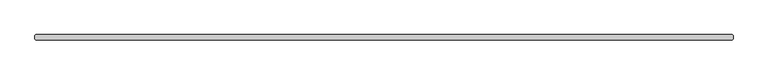
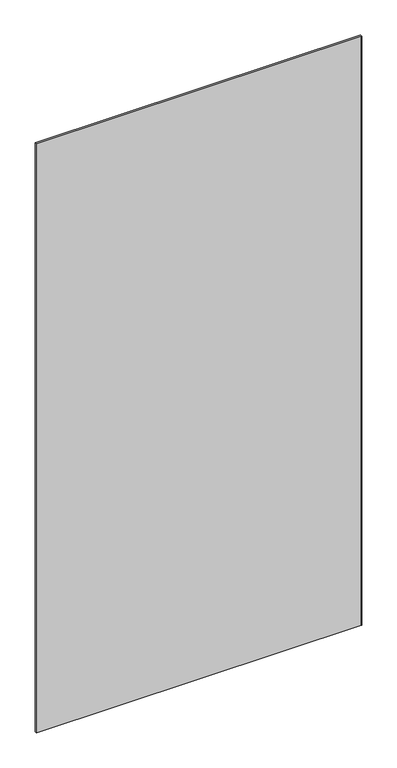
"""IFC4 building model written with IfcOpenShell, lengths in millimetres: plate geometry."""

from ifc_helpers import new_model, si_unit, origin, origin_with_axes, place, context, project, spatial, polyline, outline, extrude, source, transform, mapped, element, save


def plate_9ad6ea83(model_context):
    return source(origin(), model_context, "Body", "SweptSolid", [
        extrude(outline(polyline([(632.61875, -4.7625), (-632.61875, -4.7625), (-634.20625, -3.175), (-634.20625, 3.175), (-632.61875, 4.7625), (632.61875, 4.7625), (634.20625, 3.175), (634.20625, -3.175), (632.61875, -4.7625)])), origin_with_axes(), (0.0, 0.0, 1.0), 2427.1914267),
    ])


if __name__ == "__main__":
    model = new_model("IFC4")
    model_context = context("Model", 3, world=origin())
    ifc_project = project(units=[si_unit("LENGTHUNIT", "METRE", prefix="MILLI")], contexts=[model_context])
    site = spatial("IfcSite", under=ifc_project)
    building = spatial("IfcBuilding", under=site)
    placement = place(None, origin())
    plate_shape = plate_9ad6ea83(model_context)
    element("IfcPlate", 1, at=placement, inside=building, context=model_context, shape_type="MappedRepresentation", body=[
        mapped(plate_shape, transform((0.0, 0.0, 0.0), x_axis=(1.0, 0.0, 0.0), y_axis=(0.0, 1.0, 0.0), z_axis=(0.0, 0.0, 1.0))),
    ])
    save(model, "model.ifc")
